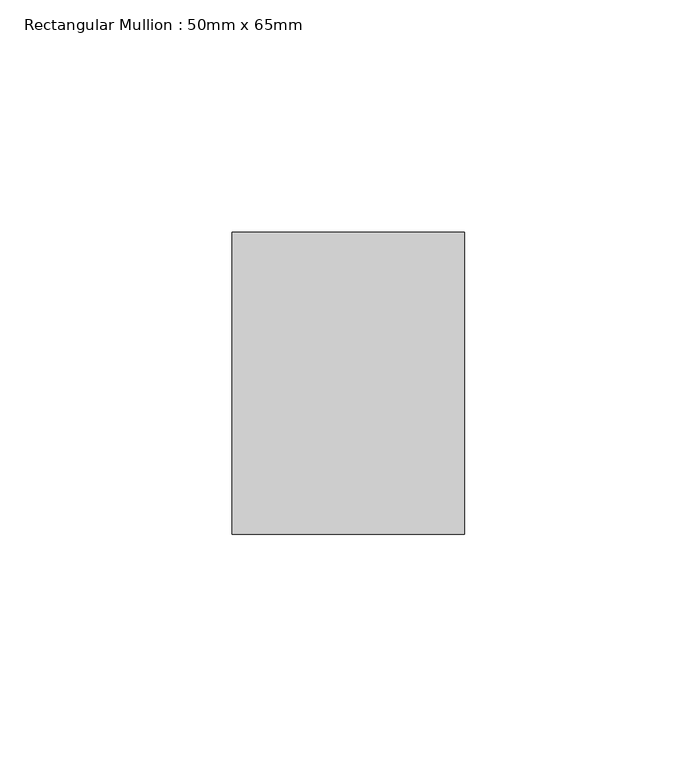
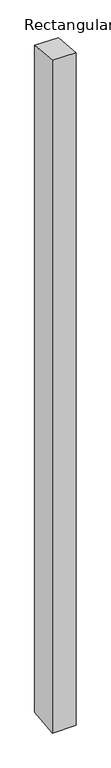
"""IFC4 building model written with IfcOpenShell, lengths in millimetres: member geometry, Rectangular Mullion : 50mm x 65mm."""

from ifc_helpers import new_model, si_unit, origin, place, context, project, spatial, faceted_brep, source, transform, mapped, element, save


def rectangular_mullion_50mm_x_65mm_29d4b01b(model_context):
    return source(origin(), model_context, "Body", "Brep", [
        faceted_brep([(-25.0, 32.5, -2.9911602), (25.0, 32.5, -2.9911531), (25.0, 32.5, -1496.6284111), (-25.0, 32.5, -1496.6284031), (-25.0, -32.5, 2.9911531), (-25.0, -32.5, -1503.3717692), (25.0, -32.5, 2.9911602), (25.0, -32.5, -1503.3717772)], [[[0, 1, 2, 3]], [[4, 0, 3, 5]], [[6, 4, 5, 7]], [[1, 6, 7, 2]], [[1, 0, 4, 6]], [[2, 7, 5, 3]]]),
    ])


if __name__ == "__main__":
    model = new_model("IFC4")
    model_context = context("Model", 3, world=origin())
    ifc_project = project(units=[si_unit("LENGTHUNIT", "METRE", prefix="MILLI")], contexts=[model_context])
    site = spatial("IfcSite", under=ifc_project)
    building = spatial("IfcBuilding", under=site)
    placement = place(None, origin())
    rectangular_mullion_50mm_x_65mm_shape = rectangular_mullion_50mm_x_65mm_29d4b01b(model_context)
    element("IfcMember", 1, ObjectType="Rectangular Mullion : 50mm x 65mm", at=placement, inside=building, context=model_context, shape_type="MappedRepresentation", body=[
        mapped(rectangular_mullion_50mm_x_65mm_shape, transform((0.0, 0.0, 0.0), x_axis=(1.0, 0.0, 0.0), y_axis=(0.0, 1.0, 0.0), z_axis=(0.0, 0.0, 1.0))),
    ])
    save(model, "model.ifc")
